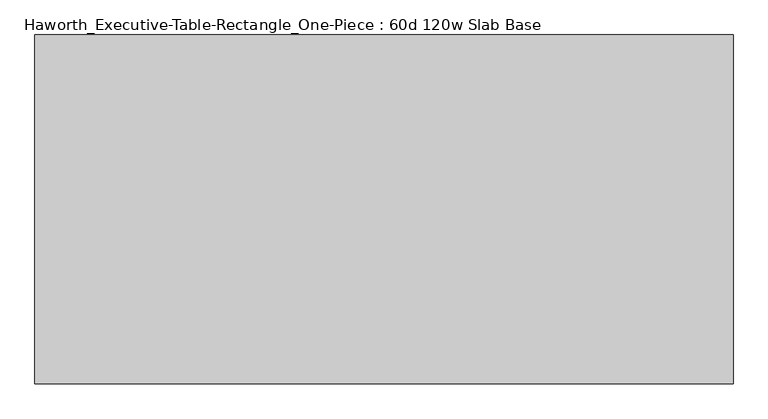
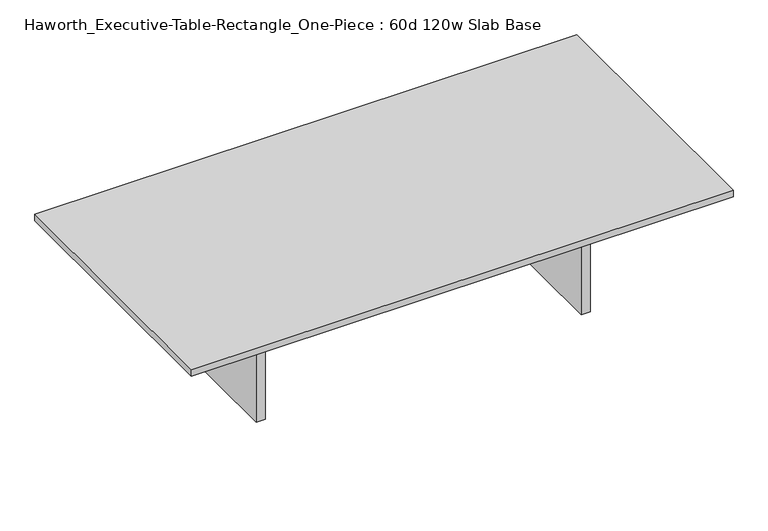
"""IFC4 building model written with IfcOpenShell, lengths in millimetres: furniture geometry, Haworth_Executive-Table-Rectangle_One-Piece : 60d 120w Slab Base."""

from ifc_helpers import new_model, si_unit, frame, origin, origin_with_axes, place, context, project, spatial, polyline, outline, extrude, source, transform, mapped, element, save


def haworth_executive_table_rectangle_one_piece_60d_120w_slab_95eb5a2d(model_context):
    return source(origin(), model_context, "Body", "SweptSolid", [
        extrude(outline(polyline([(889.0, 376.9700592), (939.8, 376.9700592), (939.8, -385.0299408), (889.0, -385.0299408), (889.0, 376.9700592)])), origin_with_axes(), (0.0, 0.0, 1.0), 711.2),
        extrude(outline(polyline([(-889.0, 376.9700592), (-889.0, -385.0299408), (-939.8, -385.0299408), (-939.8, 376.9700592), (-889.0, 376.9700592)])), origin_with_axes(), (0.0, 0.0, 1.0), 711.2),
        extrude(outline(polyline([(889.0, 5.4950592), (889.0, -13.5549408), (-889.0, -13.5549408), (-889.0, 5.4950592), (889.0, 5.4950592)])), frame((0.0, 0.0, 558.8), z_axis=(0.0, 0.0, 1.0), x_axis=(1.0, 0.0, 0.0)), (0.0, 0.0, 1.0), 152.4),
        extrude(outline(polyline([(1524.0, 757.9700592), (1524.0, -766.0299408), (-1524.0, -766.0299408), (-1524.0, 757.9700592), (1524.0, 757.9700592)])), frame((0.0, 0.0, 711.2), z_axis=(0.0, 0.0, 1.0), x_axis=(1.0, 0.0, 0.0)), (0.0, 0.0, 1.0), 38.1),
    ])


if __name__ == "__main__":
    model = new_model("IFC4")
    model_context = context("Model", 3, world=origin())
    ifc_project = project(units=[si_unit("LENGTHUNIT", "METRE", prefix="MILLI")], contexts=[model_context])
    site = spatial("IfcSite", under=ifc_project)
    building = spatial("IfcBuilding", under=site)
    placement = place(None, origin())
    haworth_executive_table_rectangle_one_piece_60d_120w_slab_shape = haworth_executive_table_rectangle_one_piece_60d_120w_slab_95eb5a2d(model_context)
    element("IfcFurniture", 1, ObjectType="Haworth_Executive-Table-Rectangle_One-Piece : 60d 120w Slab Base", at=placement, inside=building, context=model_context, shape_type="MappedRepresentation", body=[
        mapped(haworth_executive_table_rectangle_one_piece_60d_120w_slab_shape, transform((0.0, 0.0, 0.0), x_axis=(1.0, 0.0, 0.0), y_axis=(0.0, 1.0, 0.0), z_axis=(0.0, 0.0, 1.0))),
    ])
    save(model, "model.ifc")
